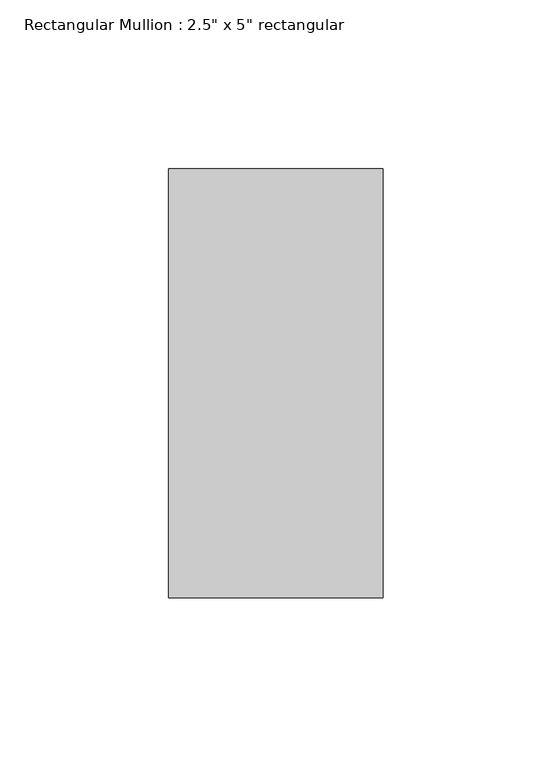
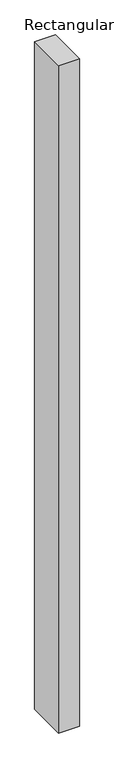
"""IFC4 building model written with IfcOpenShell, lengths in millimetres: member geometry."""

from ifc_helpers import new_model, si_unit, frame, origin, place, context, project, spatial, polyline, outline, extrude, source, transform, mapped, element, save


def member_6186cc23(model_context):
    return source(origin(), model_context, "Body", "SweptSolid", [
        extrude(outline(polyline([(31.75, 63.5), (31.75, -63.5), (-31.75, -63.5), (-31.75, 63.5), (31.75, 63.5)])), frame((0.0, 0.0, -2165.35), z_axis=(0.0, 0.0, 1.0), x_axis=(1.0, 0.0, 0.0)), (0.0, 0.0, 1.0), 2165.35),
    ])


if __name__ == "__main__":
    model = new_model("IFC4")
    model_context = context("Model", 3, world=origin())
    ifc_project = project(units=[si_unit("LENGTHUNIT", "METRE", prefix="MILLI")], contexts=[model_context])
    site = spatial("IfcSite", under=ifc_project)
    building = spatial("IfcBuilding", under=site)
    placement = place(None, origin())
    member_shape = member_6186cc23(model_context)
    element("IfcMember", 1, ObjectType="Rectangular Mullion : 2.5\" x 5\" rectangular", at=placement, inside=building, context=model_context, shape_type="MappedRepresentation", body=[
        mapped(member_shape, transform((0.0, 0.0, 0.0), x_axis=(1.0, 0.0, 0.0), y_axis=(0.0, 1.0, 0.0), z_axis=(0.0, 0.0, 1.0))),
    ])
    save(model, "model.ifc")
